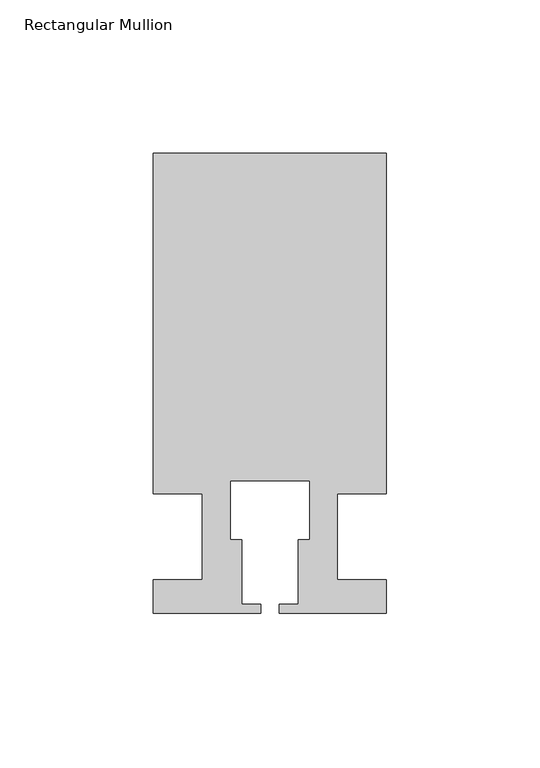
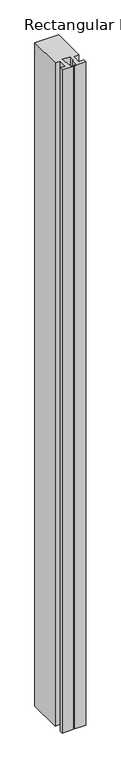
"""IFC4 building model written with IfcOpenShell, lengths in millimetres: member geometry, Rectangular Mullion."""

from ifc_helpers import new_model, si_unit, frame, origin, place, context, project, spatial, polyline, outline, extrude, source, transform, mapped, element, save


def rectangular_mullion_333b642a(model_context):
    return source(origin(), model_context, "Body", "SweptSolid", [
        extrude(outline(polyline([(37.9999914, 124.9960123), (37.9999914, 13.9960123), (21.9999651, 13.9960123), (21.9999651, -14.0039877), (37.9999896, -14.0039877), (37.9999896, -25.0039877), (2.9999651, -25.0039877), (2.9999651, -22.0039877), (9.1999651, -22.0039877), (9.1999651, -1.0039877), (12.9999651, -1.0039877), (12.9999651, 18.1960075), (-12.9999633, 18.1960075), (-12.9999633, -1.0039877), (-9.1999633, -1.0039877), (-9.1999633, -22.0039877), (-2.9999896, -22.0039877), (-2.9999896, -25.0039877), (-37.9999896, -25.0039877), (-37.9999896, -14.0039877), (-21.9999633, -14.0039877), (-21.9999633, 13.9959029), (-37.9999896, 13.9959029), (-37.9999896, 124.9960123), (37.9999914, 124.9960123)])), frame((0.0, 0.0, -2232.0199255), z_axis=(0.0, 0.0, 1.0), x_axis=(1.0, 0.0, 0.0)), (0.0, 0.0, 1.0), 2232.0199255),
    ])


if __name__ == "__main__":
    model = new_model("IFC4")
    model_context = context("Model", 3, world=origin())
    ifc_project = project(units=[si_unit("LENGTHUNIT", "METRE", prefix="MILLI")], contexts=[model_context])
    site = spatial("IfcSite", under=ifc_project)
    building = spatial("IfcBuilding", under=site)
    placement = place(None, origin())
    rectangular_mullion_shape = rectangular_mullion_333b642a(model_context)
    element("IfcMember", 1, ObjectType="Rectangular Mullion", at=placement, inside=building, context=model_context, shape_type="MappedRepresentation", body=[
        mapped(rectangular_mullion_shape, transform((0.0, 0.0, 0.0), x_axis=(1.0, 0.0, 0.0), y_axis=(0.0, 1.0, 0.0), z_axis=(0.0, 0.0, 1.0))),
    ])
    save(model, "model.ifc")
